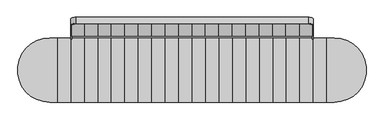
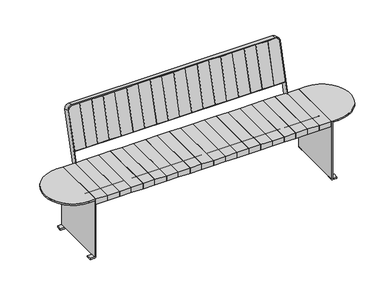
"""IFC4 building model written with IfcOpenShell, lengths in millimetres: furniture geometry."""

from ifc_helpers import new_model, si_unit, point, frame, frame_2d, origin, place, context, project, spatial, polyline, circle_curve, trimmed, segment, composite_curve, outline, extrude, source, transform, mapped, element, save
from ifc_brep_helpers import plane_surface, cylinder_surface, revolved_surface, advanced_brep


def furniture_64b9aa5a(model_context):
    return source(origin(), model_context, "Body", "SolidModel", [
        extrude(outline(polyline([(0.0, -83.5799721), (0.0, 0.0), (39.1205751, 0.0), (39.1205751, -83.5799721), (0.0, -83.5799721)])), frame((580.2051572, 211.2524813, 518.4817281), z_axis=(0.0, 0.25881904510251963, 0.9659258262890686), x_axis=(0.0, 0.9659258262890686, -0.25881904510251963)), (0.0, 0.0, 1.0), 296.0),
        extrude(outline(polyline([(0.0, -81.4200279), (0.0, 0.0), (39.1205751, 0.0), (39.1205751, -81.4200279), (0.0, -81.4200279)])), frame((498.7851293, 211.2524813, 518.4817281), z_axis=(0.0, 0.2588190451025194, 0.9659258262890688), x_axis=(0.0, 0.9659258262890688, -0.2588190451025194)), (0.0, 0.0, 1.0), 296.0),
        extrude(outline(polyline([(0.0, -83.5799721), (0.0, 0.0), (39.1205751, 0.0), (39.1205751, -83.5799721), (0.0, -83.5799721)])), frame((415.2051572, 211.2524813, 518.4817281), z_axis=(0.0, 0.25881904510252124, 0.9659258262890682), x_axis=(0.0, 0.9659258262890682, -0.25881904510252124)), (0.0, 0.0, 1.0), 296.0),
        extrude(outline(polyline([(0.0, -83.394898), (0.0, 0.0), (39.1205751, 0.0), (39.1205751, -83.394898), (0.0, -83.394898)])), frame((331.8102592, 211.2524813, 518.4817281), z_axis=(0.0, 0.2588190451025194, 0.9659258262890688), x_axis=(0.0, 0.9659258262890688, -0.2588190451025194)), (0.0, 0.0, 1.0), 296.0),
        extrude(outline(polyline([(0.0, -82.7835857), (0.0, 0.0), (39.1205751, 0.0), (39.1205751, -82.7835857), (0.0, -82.7835857)])), frame((249.0266735, 211.2524813, 518.4817281), z_axis=(0.0, 0.25881904510252124, 0.9659258262890682), x_axis=(0.0, 0.9659258262890682, -0.25881904510252124)), (0.0, 0.0, 1.0), 296.0),
        extrude(outline(polyline([(0.0, -83.4381797), (0.0, 0.0), (39.1205751, 0.0), (39.1205751, -83.4381797), (0.0, -83.4381797)])), frame((165.5884938, 211.2524813, 518.4817281), z_axis=(0.0, 0.25881904510252124, 0.9659258262890682), x_axis=(0.0, 0.9659258262890682, -0.25881904510252124)), (0.0, 0.0, 1.0), 296.0),
        extrude(outline(polyline([(0.0, -82.4183987), (0.0, 0.0), (39.1205751, 0.0), (39.1205751, -82.4183987), (0.0, -82.4183987)])), frame((83.1700951, 211.2524813, 518.4817281), z_axis=(0.0, 0.25881904510252124, 0.9659258262890682), x_axis=(0.0, 0.9659258262890682, -0.25881904510252124)), (0.0, 0.0, 1.0), 296.0),
        extrude(outline(polyline([(0.0, -83.1700951), (0.0, 0.0), (39.1205751, 0.0), (39.1205751, -83.1700951), (0.0, -83.1700951)])), frame((0.0, 211.2524813, 518.4817281), z_axis=(0.0, 0.25881904510252124, 0.9659258262890682), x_axis=(0.0, 0.9659258262890682, -0.25881904510252124)), (0.0, 0.0, 1.0), 296.0),
        extrude(outline(polyline([(0.0, -83.1700951), (0.0, 0.0), (39.1205751, 0.0), (39.1205751, -83.1700951), (0.0, -83.1700951)])), frame((-83.1700951, 211.2524813, 518.4817281), z_axis=(0.0, 0.25881904510252124, 0.9659258262890682), x_axis=(0.0, 0.9659258262890682, -0.25881904510252124)), (0.0, 0.0, 1.0), 296.0),
        extrude(outline(polyline([(0.0, -82.4183987), (0.0, 0.0), (39.1205751, 0.0), (39.1205751, -82.4183987), (0.0, -82.4183987)])), frame((-165.5884938, 211.2524813, 518.4817281), z_axis=(0.0, 0.25881904510252124, 0.9659258262890682), x_axis=(0.0, 0.9659258262890682, -0.25881904510252124)), (0.0, 0.0, 1.0), 296.0),
        extrude(outline(polyline([(0.0, -83.4381797), (0.0, 0.0), (39.1205751, 0.0), (39.1205751, -83.4381797), (0.0, -83.4381797)])), frame((-249.0266735, 211.2524813, 518.4817281), z_axis=(0.0, 0.25881904510252124, 0.9659258262890682), x_axis=(0.0, 0.9659258262890682, -0.25881904510252124)), (0.0, 0.0, 1.0), 296.0),
        extrude(outline(polyline([(0.0, -82.7835857), (0.0, 0.0), (39.1205751, 0.0), (39.1205751, -82.7835857), (0.0, -82.7835857)])), frame((-331.8102592, 211.2524813, 518.4817281), z_axis=(0.0, 0.25881904510252124, 0.9659258262890682), x_axis=(0.0, 0.9659258262890682, -0.25881904510252124)), (0.0, 0.0, 1.0), 296.0),
        extrude(outline(polyline([(0.0, -83.394898), (0.0, 0.0), (39.1205751, 0.0), (39.1205751, -83.394898), (0.0, -83.394898)])), frame((-415.2051572, 211.2524813, 518.4817281), z_axis=(0.0, 0.25881904510252124, 0.9659258262890682), x_axis=(0.0, 0.9659258262890682, -0.25881904510252124)), (0.0, 0.0, 1.0), 296.0),
        extrude(outline(polyline([(0.0, -83.5799721), (0.0, 0.0), (39.1205751, 0.0), (39.1205751, -83.5799721), (0.0, -83.5799721)])), frame((-498.7851293, 211.2524813, 518.4817281), z_axis=(0.0, 0.25881904510252124, 0.9659258262890682), x_axis=(0.0, 0.9659258262890682, -0.25881904510252124)), (0.0, 0.0, 1.0), 296.0),
        extrude(outline(polyline([(0.0, -81.4200279), (0.0, 0.0), (39.1205751, 0.0), (39.1205751, -81.4200279), (0.0, -81.4200279)])), frame((-580.2051572, 211.2524813, 518.4817281), z_axis=(0.0, 0.25881904510252124, 0.9659258262890682), x_axis=(0.0, 0.9659258262890682, -0.25881904510252124)), (0.0, 0.0, 1.0), 296.0),
        extrude(outline(polyline([(0.0, -83.5799721), (0.0, 0.0), (39.1205751, 0.0), (39.1205751, -83.5799721), (0.0, -83.5799721)])), frame((-663.7851293, 211.2524813, 518.4817281), z_axis=(0.0, 0.2588190451025194, 0.9659258262890688), x_axis=(0.0, 0.9659258262890688, -0.2588190451025194)), (0.0, 0.0, 1.0), 296.0),
        extrude(outline(composite_curve([segment(polyline([(-25.0, -24.9999999), (-25.0, 246.0), (55.2148, 246.0), (55.2148, -50.0), (0.0, -50.0)]), True, "CONTINUOUS"), segment(trimmed(circle_curve(frame_2d((0.0, -24.9999999)), 25.0), [point((0.0, -50.0))], [point((-25.0, -24.9999999))], False, "CARTESIAN"), True, "CONTINUOUS")], self_intersect=False)), frame((718.9999293, 312.7095402, 745.9743315), z_axis=(0.0, -0.9659258262890683, 0.2588190451025209), x_axis=(-1.0, 0.0, 0.0)), (0.0, 0.0, 1.0), 39.120575),
        extrude(outline(composite_curve([segment(trimmed(circle_curve(frame_2d((0.0, -25.0)), 25.0), [point((0.0, 0.0))], [point((25.0000001, -25.0))], False, "CARTESIAN"), True, "CONTINUOUS"), segment(polyline([(25.0000001, -25.0), (25.0000001, -80.2148), (-271.0, -80.2148), (-271.0, 0.0), (0.0, 0.0)]), True, "CONTINUOUS")], self_intersect=False)), frame((-743.9999293, 319.1800163, 770.1224771), z_axis=(0.0, -0.9659258262890682, 0.2588190451025209), x_axis=(0.0, 0.2588190451025209, 0.9659258262890682)), (0.0, 0.0, 1.0), 39.120575),
        extrude(outline(polyline([(83.1700951, 200.0), (83.1700951, -200.0), (0.0, -200.0), (0.0, 200.0), (83.1700951, 200.0)])), frame((0.0, 0.0, 400.6382749), z_axis=(0.0, 0.0, 1.0), x_axis=(1.0, 0.0, 0.0)), (0.0, 0.0, 1.0), 39.120575),
        extrude(outline(polyline([(165.5884938, 200.0), (165.5884938, -200.0), (83.1700951, -200.0), (83.1700951, 200.0), (165.5884938, 200.0)])), frame((0.0, 0.0, 400.6382749), z_axis=(0.0, 0.0, 1.0), x_axis=(1.0, 0.0, 0.0)), (0.0, 0.0, 1.0), 39.120575),
        extrude(outline(polyline([(249.0266735, 200.0), (249.0266735, -200.0), (165.5884938, -200.0), (165.5884938, 200.0), (249.0266735, 200.0)])), frame((0.0, 0.0, 400.6382749), z_axis=(0.0, 0.0, 1.0), x_axis=(1.0, 0.0, 0.0)), (0.0, 0.0, 1.0), 39.120575),
        extrude(outline(polyline([(331.8102592, 200.0), (331.8102592, -200.0), (249.0266735, -200.0), (249.0266735, 200.0), (331.8102592, 200.0)])), frame((0.0, 0.0, 400.6382749), z_axis=(0.0, 0.0, 1.0), x_axis=(1.0, 0.0, 0.0)), (0.0, 0.0, 1.0), 39.120575),
        extrude(outline(polyline([(415.2051572, 200.0), (415.2051572, -200.0), (331.8102592, -200.0), (331.8102592, 200.0), (415.2051572, 200.0)])), frame((0.0, 0.0, 400.6382749), z_axis=(0.0, 0.0, 1.0), x_axis=(1.0, 0.0, 0.0)), (0.0, 0.0, 1.0), 39.120575),
        extrude(outline(polyline([(498.7851293, 200.0), (498.7851293, -200.0), (415.2051572, -200.0), (415.2051572, 200.0), (498.7851293, 200.0)])), frame((0.0, 0.0, 400.6382749), z_axis=(0.0, 0.0, 1.0), x_axis=(1.0, 0.0, 0.0)), (0.0, 0.0, 1.0), 39.120575),
        extrude(outline(polyline([(580.2051572, 200.0), (580.2051572, -200.0), (498.7851293, -200.0), (498.7851293, 200.0), (580.2051572, 200.0)])), frame((0.0, 0.0, 400.6382749), z_axis=(0.0, 0.0, 1.0), x_axis=(1.0, 0.0, 0.0)), (0.0, 0.0, 1.0), 39.120575),
        extrude(outline(polyline([(663.7851293, 200.0), (663.7851293, -200.0), (580.2051572, -200.0), (580.2051572, 200.0), (663.7851293, 200.0)])), frame((0.0, 0.0, 400.6382749), z_axis=(0.0, 0.0, 1.0), x_axis=(1.0, 0.0, 0.0)), (0.0, 0.0, 1.0), 39.120575),
        extrude(outline(polyline([(746.8041619, 200.0), (746.8041619, -200.0), (663.7851293, -200.0), (663.7851293, 200.0), (746.8041619, 200.0)])), frame((0.0, 0.0, 400.6382749), z_axis=(0.0, 0.0, 1.0), x_axis=(1.0, 0.0, 0.0)), (0.0, 0.0, 1.0), 39.120575),
        extrude(outline(polyline([(831.379425, 200.0), (831.379425, -200.0), (746.8041619, -200.0), (746.8041619, 200.0), (831.379425, 200.0)])), frame((0.0, 0.0, 400.6382749), z_axis=(0.0, 0.0, 1.0), x_axis=(1.0, 0.0, 0.0)), (0.0, 0.0, 1.0), 39.120575),
        extrude(outline(polyline([(-83.1700951, 200.0), (0.0, 200.0), (0.0, -200.0), (-83.1700951, -200.0), (-83.1700951, 200.0)])), frame((0.0, 0.0, 400.6382749), z_axis=(0.0, 0.0, 1.0), x_axis=(1.0, 0.0, 0.0)), (0.0, 0.0, 1.0), 39.120575),
        extrude(outline(polyline([(-165.5884938, 200.0), (-83.1700951, 200.0), (-83.1700951, -200.0), (-165.5884938, -200.0), (-165.5884938, 200.0)])), frame((0.0, 0.0, 400.6382749), z_axis=(0.0, 0.0, 1.0), x_axis=(1.0, 0.0, 0.0)), (0.0, 0.0, 1.0), 39.120575),
        extrude(outline(polyline([(-249.0266735, 200.0), (-165.5884938, 200.0), (-165.5884938, -200.0), (-249.0266735, -200.0), (-249.0266735, 200.0)])), frame((0.0, 0.0, 400.6382749), z_axis=(0.0, 0.0, 1.0), x_axis=(1.0, 0.0, 0.0)), (0.0, 0.0, 1.0), 39.120575),
        extrude(outline(polyline([(-331.8102592, 200.0), (-249.0266735, 200.0), (-249.0266735, -200.0), (-331.8102592, -200.0), (-331.8102592, 200.0)])), frame((0.0, 0.0, 400.6382749), z_axis=(0.0, 0.0, 1.0), x_axis=(1.0, 0.0, 0.0)), (0.0, 0.0, 1.0), 39.120575),
        extrude(outline(polyline([(-415.2051572, 200.0), (-331.8102592, 200.0), (-331.8102592, -200.0), (-415.2051572, -200.0), (-415.2051572, 200.0)])), frame((0.0, 0.0, 400.6382749), z_axis=(0.0, 0.0, 1.0), x_axis=(1.0, 0.0, 0.0)), (0.0, 0.0, 1.0), 39.120575),
        extrude(outline(polyline([(-498.7851293, 200.0), (-415.2051572, 200.0), (-415.2051572, -200.0), (-498.7851293, -200.0), (-498.7851293, 200.0)])), frame((0.0, 0.0, 400.6382749), z_axis=(0.0, 0.0, 1.0), x_axis=(1.0, 0.0, 0.0)), (0.0, 0.0, 1.0), 39.120575),
        extrude(outline(polyline([(-580.2051572, 200.0), (-498.7851293, 200.0), (-498.7851293, -200.0), (-580.2051572, -200.0), (-580.2051572, 200.0)])), frame((0.0, 0.0, 400.6382749), z_axis=(0.0, 0.0, 1.0), x_axis=(1.0, 0.0, 0.0)), (0.0, 0.0, 1.0), 39.120575),
        extrude(outline(polyline([(-663.7851293, 200.0), (-580.2051572, 200.0), (-580.2051572, -200.0), (-663.7851293, -200.0), (-663.7851293, 200.0)])), frame((0.0, 0.0, 400.6382749), z_axis=(0.0, 0.0, 1.0), x_axis=(1.0, 0.0, 0.0)), (0.0, 0.0, 1.0), 39.120575),
        extrude(outline(polyline([(-746.8041619, 200.0), (-663.7851293, 200.0), (-663.7851293, -200.0), (-746.8041619, -200.0), (-746.8041619, 200.0)])), frame((0.0, 0.0, 400.6382749), z_axis=(0.0, 0.0, 1.0), x_axis=(1.0, 0.0, 0.0)), (0.0, 0.0, 1.0), 39.120575),
        extrude(outline(polyline([(-831.379425, 200.0), (-746.8041619, 200.0), (-746.8041619, -200.0), (-831.379425, -200.0), (-831.379425, 200.0)])), frame((0.0, 0.0, 400.6382749), z_axis=(0.0, 0.0, 1.0), x_axis=(1.0, 0.0, 0.0)), (0.0, 0.0, 1.0), 39.120575),
        extrude(outline(composite_curve([segment(polyline([(-20.0, 0.0), (0.0, 0.0)]), True, "CONTINUOUS"), segment(trimmed(circle_curve(frame_2d((0.0, -25.0)), 25.0), [point((0.0, 0.0))], [point((25.0, -25.0))], False, "CARTESIAN"), True, "CONTINUOUS"), segment(polyline([(25.0, -25.0), (25.0, -1462.9998586)]), True, "CONTINUOUS"), segment(trimmed(circle_curve(frame_2d((0.0, -1462.9998586)), 25.0), [point((25.0, -1462.9998586))], [point((0.0, -1487.9998586))], False, "CARTESIAN"), True, "CONTINUOUS"), segment(polyline([(0.0, -1487.9998586), (-20.0, -1487.9998586), (-20.0, 0.0)]), True, "CONTINUOUS")], self_intersect=False)), frame((-743.9999293, 320.0294756, 769.8948652), z_axis=(0.0, -0.9659258262890719, 0.25881904510250753), x_axis=(0.0, 0.25881904510250753, 0.9659258262890719)), (0.0, 0.0, 1.0), 3.0),
        extrude(outline(composite_curve([segment(polyline([(245.2952272, 506.2541733), (210.4760242, 515.5839506), (211.2524813, 518.4817281), (246.0527262, 509.1570306)]), True, "CONTINUOUS"), segment(trimmed(circle_curve(frame_2d((246.3043334, 510.0960412)), 0.9721354), [point((246.0527262, 509.1570306))], [point((247.2433441, 509.8444341))], True, "CARTESIAN"), True, "CONTINUOUS"), segment(polyline([(247.2433441, 509.8444341), (257.8621368, 549.4743081), (260.7599143, 548.697851), (250.1360417, 509.0490188)]), True, "CONTINUOUS"), segment(trimmed(circle_curve(frame_2d((246.3182117, 510.0720033)), 3.9525085), [point((250.1360417, 509.0490188))], [point((245.2952272, 506.2541733))], False, "CARTESIAN"), True, "CONTINUOUS")], self_intersect=False)), frame((-743.9999293, 0.0, 0.0), z_axis=(1.0, 0.0, 0.0), x_axis=(0.0, 1.0, 0.0)), (0.0, 0.0, 1.0), 1488.0),
        advanced_brep(
        [(-743.9999293, 189.5116815, 437.3439587), (-743.9999293, 184.6820524, 433.6380539), (-743.9999293, -52.5000483, 433.6380539), (-743.9999293, -62.5000483, 423.6380539), (-743.9999293, -62.5000483, 351.6380539), (-743.9999293, -52.5000483, 341.6380539), (-743.9999293, 17.4999517, 341.6380539), (-743.9999293, 27.4999517, 351.6380539), (-743.9999293, 27.4999517, 391.6380539), (-743.9999293, 37.4999517, 401.6380539), (-743.9999293, 202.1721857, 401.6380539), (-743.9999293, 226.3203314, 420.1675778), (-743.9999293, 320.0294756, 769.8948652), (-743.9999293, 281.3924426, 780.247627), (-749.9999293, 226.3203314, 420.1675778), (-749.9999293, 202.1721857, 401.6380539), (-749.9999293, 37.4999517, 401.6380539), (-749.9999293, 27.4999517, 391.6380539), (-749.9999293, 27.4999517, 351.6380539), (-749.9999293, 17.4999517, 341.6380539), (-749.9999293, -52.5000483, 341.6380539), (-749.9999293, -62.5000483, 351.6380539), (-749.9999293, -62.5000483, 423.6380539), (-749.9999293, -52.5000483, 433.6380539), (-749.9999293, 184.6820524, 433.6380539), (-749.9999293, 189.5116815, 437.3439587), (-749.9999293, 281.6512616, 781.2135528), (-749.9999293, 320.2882947, 770.860791), (-718.9999293, 287.8629187, 804.3957727), (718.9999293, 287.8629187, 804.3957727), (743.9999293, 281.3924426, 780.247627), (743.9999293, 189.5116815, 437.3439587), (749.9999293, 189.5116815, 437.3439587), (749.9999293, 281.6512616, 781.2135528), (719.9999293, 289.415833, 810.1913276), (-719.9999293, 289.415833, 810.1913276), (-719.9999293, 328.052866, 799.8385658), (719.9999293, 328.052866, 799.8385658), (749.9999293, 320.2882947, 770.860791), (749.9999293, 226.3203314, 420.1675778), (743.9999293, 226.3203314, 420.1675778), (743.9999293, 320.0294756, 769.8948652), (718.9999293, 326.4999517, 794.0430109), (-718.9999293, 326.4999517, 794.0430109), (743.9999293, 202.1721857, 401.6380539), (743.9999293, 37.4999517, 401.6380539), (743.9999293, 27.4999517, 391.6380539), (743.9999293, 27.4999517, 351.6380539), (743.9999293, 17.4999517, 341.6380539), (743.9999293, -52.5000483, 341.6380539), (743.9999293, -62.5000483, 351.6380539), (743.9999293, -62.5000483, 423.6380539), (743.9999293, -52.5000483, 433.6380539), (743.9999293, 184.6820524, 433.6380539), (749.9999293, 184.6820524, 433.6380539), (749.9999293, -52.5000483, 433.6380539), (749.9999293, -62.5000483, 423.6380539), (749.9999293, -62.5000483, 351.6380539), (749.9999293, -52.5000483, 341.6380539), (749.9999293, 17.4999517, 341.6380539), (749.9999293, 27.4999517, 351.6380539), (749.9999293, 27.4999517, 391.6380539), (749.9999293, 37.4999517, 401.6380539), (749.9999293, 202.1721857, 401.6380539)],
        [
            (0, 1, circle_curve(frame((-743.9999293, 184.6820524, 438.6380539), z_axis=(-1.0, 0.0, 0.0), x_axis=(0.0, 0.0, -1.0)), 5.0)),
            (1, 2),
            (2, 3, circle_curve(frame((-743.9999293, -52.5000483, 423.6380539), z_axis=(1.0, 0.0, 0.0), x_axis=(0.0, 0.0, 1.0)), 10.0)),
            (3, 4),
            (4, 5, circle_curve(frame((-743.9999293, -52.5000483, 351.6380539), z_axis=(1.0, 0.0, 0.0), x_axis=(0.0, -1.0, 0.0)), 10.0)),
            (5, 6),
            (6, 7, circle_curve(frame((-743.9999293, 17.4999517, 351.6380539), z_axis=(1.0, 0.0, 0.0), x_axis=(0.0, 0.0, -1.0)), 10.0)),
            (7, 8),
            (8, 9, circle_curve(frame((-743.9999293, 37.4999517, 391.6380539), z_axis=(-1.0, 0.0, 0.0), x_axis=(0.0, -1.0, 0.0)), 10.0)),
            (9, 10),
            (10, 11, circle_curve(frame((-743.9999293, 202.1721857, 426.6380539), z_axis=(1.0, 0.0, 0.0), x_axis=(0.0, 0.0, -1.0)), 25.0)),
            (11, 12),
            (12, 13),
            (13, 0),
            (14, 15, circle_curve(frame((-749.9999293, 202.1721857, 426.6380539), z_axis=(-1.0, 0.0, 0.0), x_axis=(0.0, 0.0, -1.0)), 25.0)),
            (15, 16),
            (16, 17, circle_curve(frame((-749.9999293, 37.4999517, 391.6380539), z_axis=(1.0, 0.0, 0.0), x_axis=(0.0, -1.0, 0.0)), 10.0)),
            (17, 18),
            (18, 19, circle_curve(frame((-749.9999293, 17.4999517, 351.6380539), z_axis=(-1.0, 0.0, 0.0), x_axis=(0.0, 0.0, -1.0)), 10.0)),
            (19, 20),
            (20, 21, circle_curve(frame((-749.9999293, -52.5000483, 351.6380539), z_axis=(-1.0, 0.0, 0.0), x_axis=(0.0, -1.0, 0.0)), 10.0)),
            (21, 22),
            (22, 23, circle_curve(frame((-749.9999293, -52.5000483, 423.6380539), z_axis=(-1.0, 0.0, 0.0), x_axis=(0.0, 0.0, 1.0)), 10.0)),
            (23, 24),
            (24, 25, circle_curve(frame((-749.9999293, 184.6820524, 438.6380539), z_axis=(1.0, 0.0, 0.0), x_axis=(0.0, 0.0, -1.0)), 5.0)),
            (25, 26),
            (26, 27),
            (27, 14),
            (25, 0),
            (13, 28, circle_curve(frame((-718.9999293, 281.3924426, 780.247627), z_axis=(0.0, 0.9659258262890719, -0.25881904510250753), x_axis=(0.0, -0.25881904510250753, -0.9659258262890719)), 25.0)),
            (28, 29),
            (29, 30, circle_curve(frame((718.9999293, 281.3924426, 780.247627), z_axis=(0.0, 0.9659258262890719, -0.25881904510250753), x_axis=(0.0, -0.25881904510250753, -0.9659258262890719)), 25.0)),
            (30, 31),
            (31, 32),
            (32, 33),
            (33, 34, circle_curve(frame((719.9999293, 281.6512616, 781.2135528), z_axis=(0.0, -0.9659258262890719, 0.25881904510250753), x_axis=(0.0, -0.25881904510250753, -0.9659258262890719)), 30.0)),
            (34, 35),
            (35, 26, circle_curve(frame((-719.9999293, 281.6512616, 781.2135528), z_axis=(0.0, -0.9659258262890719, 0.25881904510250753), x_axis=(0.0, -0.25881904510250753, -0.9659258262890719)), 30.0)),
            (24, 1),
            (23, 2),
            (22, 3),
            (21, 4),
            (20, 5),
            (19, 6),
            (18, 7),
            (17, 8),
            (16, 9),
            (15, 10),
            (14, 11),
            (27, 36, circle_curve(frame((-719.9999293, 320.2882947, 770.860791), z_axis=(0.0, 0.9659258262890719, -0.25881904510250753), x_axis=(0.0, -0.25881904510250753, -0.9659258262890719)), 30.0)),
            (36, 37),
            (37, 38, circle_curve(frame((719.9999293, 320.2882947, 770.860791), z_axis=(0.0, 0.9659258262890719, -0.25881904510250753), x_axis=(0.0, -0.25881904510250753, -0.9659258262890719)), 30.0)),
            (38, 39),
            (39, 40),
            (40, 41),
            (41, 42, circle_curve(frame((718.9999293, 320.0294756, 769.8948652), z_axis=(0.0, -0.9659258262890719, 0.25881904510250753), x_axis=(0.0, -0.25881904510250753, -0.9659258262890719)), 25.0)),
            (42, 43),
            (43, 12, circle_curve(frame((-718.9999293, 320.0294756, 769.8948652), z_axis=(0.0, -0.9659258262890719, 0.25881904510250753), x_axis=(0.0, -0.25881904510250753, -0.9659258262890719)), 25.0)),
            (35, 36),
            (34, 37),
            (28, 43),
            (42, 29),
            (33, 38),
            (41, 30),
            (40, 44, circle_curve(frame((743.9999293, 202.1721857, 426.6380539), z_axis=(-1.0, 0.0, 0.0), x_axis=(0.0, 0.0, -1.0)), 25.0)),
            (44, 45),
            (45, 46, circle_curve(frame((743.9999293, 37.4999517, 391.6380539), z_axis=(1.0, 0.0, 0.0), x_axis=(0.0, -1.0, 0.0)), 10.0)),
            (46, 47),
            (47, 48, circle_curve(frame((743.9999293, 17.4999517, 351.6380539), z_axis=(-1.0, 0.0, 0.0), x_axis=(0.0, 0.0, -1.0)), 10.0)),
            (48, 49),
            (49, 50, circle_curve(frame((743.9999293, -52.5000483, 351.6380539), z_axis=(-1.0, 0.0, 0.0), x_axis=(0.0, -1.0, 0.0)), 10.0)),
            (50, 51),
            (51, 52, circle_curve(frame((743.9999293, -52.5000483, 423.6380539), z_axis=(-1.0, 0.0, 0.0), x_axis=(0.0, 0.0, 1.0)), 10.0)),
            (52, 53),
            (53, 31, circle_curve(frame((743.9999293, 184.6820524, 438.6380539), z_axis=(1.0, 0.0, 0.0), x_axis=(0.0, 0.0, -1.0)), 5.0)),
            (32, 54, circle_curve(frame((749.9999293, 184.6820524, 438.6380539), z_axis=(-1.0, 0.0, 0.0), x_axis=(0.0, 0.0, -1.0)), 5.0)),
            (54, 55),
            (55, 56, circle_curve(frame((749.9999293, -52.5000483, 423.6380539), z_axis=(1.0, 0.0, 0.0), x_axis=(0.0, 0.0, 1.0)), 10.0)),
            (56, 57),
            (57, 58, circle_curve(frame((749.9999293, -52.5000483, 351.6380539), z_axis=(1.0, 0.0, 0.0), x_axis=(0.0, -1.0, 0.0)), 10.0)),
            (58, 59),
            (59, 60, circle_curve(frame((749.9999293, 17.4999517, 351.6380539), z_axis=(1.0, 0.0, 0.0), x_axis=(0.0, 0.0, -1.0)), 10.0)),
            (60, 61),
            (61, 62, circle_curve(frame((749.9999293, 37.4999517, 391.6380539), z_axis=(-1.0, 0.0, 0.0), x_axis=(0.0, -1.0, 0.0)), 10.0)),
            (62, 63),
            (63, 39, circle_curve(frame((749.9999293, 202.1721857, 426.6380539), z_axis=(1.0, 0.0, 0.0), x_axis=(0.0, 0.0, -1.0)), 25.0)),
            (53, 54),
            (52, 55),
            (51, 56),
            (50, 57),
            (49, 58),
            (48, 59),
            (47, 60),
            (46, 61),
            (45, 62),
            (44, 63),
        ],
        [
            plane_surface(frame((-743.9999293, 269.2279474, 734.8491132), z_axis=(1.0, 0.0, 0.0), x_axis=(0.0, -0.2588190451024944, -0.9659258262890754))),
            plane_surface(frame((-749.9999293, 269.2279474, 734.8491132), z_axis=(-1.0, 0.0, 0.0), x_axis=(0.0, 0.2588190451024944, 0.9659258262890754))),
            plane_surface(frame((-743.9999293, 269.2279474, 734.8491132), z_axis=(0.0, -0.9659258262890754, 0.2588190451024944), x_axis=(-1.0, 0.0, 0.0))),
            revolved_surface(polyline([(-749.9999293, 184.6820524, 433.6380539), (-743.9999293, 184.6820524, 433.6380539)]), (-749.9999293, 184.6820524, 438.6380539), (-1.0, 0.0, 0.0)),
            plane_surface(frame((-743.9999293, 184.6820524, 433.6380539), z_axis=(0.0, 0.0, 1.0), x_axis=(-1.0, 0.0, 0.0))),
            cylinder_surface(frame((-749.9999293, -52.5000483, 423.6380539), z_axis=(1.0, 0.0, 0.0), x_axis=(0.0, 0.0, 1.0)), 10.0),
            plane_surface(frame((-743.9999293, -62.5000483, 423.6380539), z_axis=(0.0, -1.0, 0.0), x_axis=(-1.0, 0.0, 0.0))),
            cylinder_surface(frame((-749.9999293, -52.5000483, 351.6380539), z_axis=(1.0, 0.0, 0.0), x_axis=(0.0, -1.0, 0.0)), 10.0),
            plane_surface(frame((-743.9999293, -52.5000483, 341.6380539), z_axis=(0.0, 0.0, -1.0), x_axis=(-1.0, 0.0, 0.0))),
            cylinder_surface(frame((-749.9999293, 17.4999517, 351.6380539), z_axis=(1.0, 0.0, 0.0), x_axis=(0.0, 0.0, -1.0)), 10.0),
            plane_surface(frame((-743.9999293, 27.4999517, 351.6380539), z_axis=(0.0, 1.0, 0.0), x_axis=(-1.0, 0.0, 0.0))),
            revolved_surface(polyline([(-749.9999293, 27.499951699999997, 391.6380539), (-743.9999293, 27.499951699999997, 391.6380539)]), (-749.9999293, 37.4999517, 391.6380539), (-1.0, 0.0, 0.0)),
            plane_surface(frame((-743.9999293, 37.4999517, 401.6380539), z_axis=(0.0, 0.0, -1.0), x_axis=(-1.0, 0.0, 0.0))),
            cylinder_surface(frame((-749.9999293, 202.1721857, 426.6380539), z_axis=(1.0, 0.0, 0.0), x_axis=(0.0, 0.0, -1.0)), 25.0),
            plane_surface(frame((-743.9999293, 226.3203314, 420.1675778), z_axis=(0.0, 0.9659258262890719, -0.25881904510250753), x_axis=(-1.0, 0.0, 0.0))),
            cylinder_surface(frame((-719.9999293, 281.6512616, 781.2135528), z_axis=(0.0, 0.9659258262890719, -0.25881904510250753), x_axis=(0.0, -0.25881904510250753, -0.9659258262890719)), 30.0),
            plane_surface(frame((-719.9999293, 328.052866, 799.8385658), z_axis=(0.0, 0.2588190451025074, 0.9659258262890719), x_axis=(0.0, -0.9659258262890719, 0.2588190451025074))),
            plane_surface(frame((0.0, 326.4999517, 794.0430109), z_axis=(0.0, -0.2588190451025074, -0.9659258262890719), x_axis=(0.0, -0.9659258262890719, 0.2588190451025074))),
            revolved_surface(polyline([(-718.9999293, 274.92196643602773, 756.0994813525291), (-718.9999293, 313.5589994748663, 745.7467195518383)]), (-718.9999293, 281.3924426, 780.247627), (0.0, -0.9659258262890719, 0.25881904510250753)),
            cylinder_surface(frame((719.9999293, 281.6512616, 781.2135528), z_axis=(0.0, 0.9659258262890719, -0.25881904510250753), x_axis=(0.0, -0.25881904510250753, -0.9659258262890719)), 30.0),
            revolved_surface(polyline([(718.9999293, 274.92196643602773, 756.0994813525291), (718.9999293, 313.5589994748663, 745.7467195518383)]), (718.9999293, 281.3924426, 780.247627), (0.0, -0.9659258262890719, 0.25881904510250753)),
            plane_surface(frame((743.9999293, 307.8649805, 724.4963514), z_axis=(-1.0, 0.0, 0.0), x_axis=(0.0, -0.965925826289072, 0.2588190451025072))),
            plane_surface(frame((749.9999293, 320.2882947, 770.860791), z_axis=(1.0, 0.0, 0.0), x_axis=(0.0, -0.965925826289072, 0.2588190451025072))),
            revolved_surface(polyline([(749.9999293, 184.6820524, 433.6380539), (743.9999293, 184.6820524, 433.6380539)]), (749.9999293, 184.6820524, 438.6380539), (1.0, 0.0, 0.0)),
            plane_surface(frame((743.9999293, -52.5000483, 433.6380539), z_axis=(0.0, 0.0, 1.0), x_axis=(1.0, 0.0, 0.0))),
            cylinder_surface(frame((749.9999293, -52.5000483, 423.6380539), z_axis=(-1.0, 0.0, 0.0), x_axis=(0.0, 0.0, 1.0)), 10.0),
            plane_surface(frame((743.9999293, -62.5000483, 351.6380539), z_axis=(0.0, -1.0, 0.0), x_axis=(1.0, 0.0, 0.0))),
            cylinder_surface(frame((749.9999293, -52.5000483, 351.6380539), z_axis=(-1.0, 0.0, 0.0), x_axis=(0.0, -1.0, 0.0)), 10.0),
            plane_surface(frame((743.9999293, 17.4999517, 341.6380539), z_axis=(0.0, 0.0, -1.0), x_axis=(1.0, 0.0, 0.0))),
            cylinder_surface(frame((749.9999293, 17.4999517, 351.6380539), z_axis=(-1.0, 0.0, 0.0), x_axis=(0.0, 0.0, -1.0)), 10.0),
            plane_surface(frame((743.9999293, 27.4999517, 391.6380539), z_axis=(0.0, 1.0, 0.0), x_axis=(1.0, 0.0, 0.0))),
            revolved_surface(polyline([(749.9999293, 27.499951699999997, 391.6380539), (743.9999293, 27.499951699999997, 391.6380539)]), (749.9999293, 37.4999517, 391.6380539), (1.0, 0.0, 0.0)),
            plane_surface(frame((743.9999293, 202.1721857, 401.6380539), z_axis=(0.0, 0.0, -1.0), x_axis=(1.0, 0.0, 0.0))),
            cylinder_surface(frame((749.9999293, 202.1721857, 426.6380539), z_axis=(-1.0, 0.0, 0.0), x_axis=(0.0, 0.0, -1.0)), 25.0),
        ],
        [
            (0, [[1, 2, 3, 4, 5, 6, 7, 8, 9, 10, 11, 12, 13, 14]]),
            (1, [[15, 16, 17, 18, 19, 20, 21, 22, 23, 24, 25, 26, 27, 28]]),
            (2, [[29, -14, 30, 31, 32, 33, 34, 35, 36, 37, 38, -26]]),
            (3, [[-1, -29, -25, 39]]),
            (4, [[-2, -39, -24, 40]]),
            (5, [[-3, -40, -23, 41]]),
            (6, [[-4, -41, -22, 42]]),
            (7, [[-5, -42, -21, 43]]),
            (8, [[-6, -43, -20, 44]]),
            (9, [[-7, -44, -19, 45]]),
            (10, [[-8, -45, -18, 46]]),
            (11, [[-9, -46, -17, 47]]),
            (12, [[-10, -47, -16, 48]]),
            (13, [[-11, -48, -15, 49]]),
            (14, [[-49, -28, 50, 51, 52, 53, 54, 55, 56, 57, 58, -12]]),
            (15, [[-50, -27, -38, 59]]),
            (16, [[-59, -37, 60, -51]]),
            (17, [[61, -57, 62, -31]]),
            (18, [[-58, -61, -30, -13]]),
            (19, [[-52, -60, -36, 63]]),
            (20, [[-56, 64, -32, -62]]),
            (21, [[-55, 65, 66, 67, 68, 69, 70, 71, 72, 73, 74, 75, -33, -64]]),
            (22, [[-53, -63, -35, 76, 77, 78, 79, 80, 81, 82, 83, 84, 85, 86]]),
            (23, [[-75, 87, -76, -34]]),
            (24, [[-74, 88, -77, -87]]),
            (25, [[-73, 89, -78, -88]]),
            (26, [[-72, 90, -79, -89]]),
            (27, [[-71, 91, -80, -90]]),
            (28, [[-70, 92, -81, -91]]),
            (29, [[-69, 93, -82, -92]]),
            (30, [[-68, 94, -83, -93]]),
            (31, [[-67, 95, -84, -94]]),
            (32, [[-66, 96, -85, -95]]),
            (33, [[-65, -54, -86, -96]]),
        ],
    ),
        advanced_brep(
        [(-438.9493478, 55.5135142, 364.1867082), (-438.9493478, 60.5135142, 364.1867082), (-473.9493478, 60.513034, 364.1867082), (-473.9493478, 55.5135142, 364.1867082), (438.9493478, 55.5135142, 364.1867082), (438.9493478, 60.5135142, 364.1867082), (473.9493478, 60.513034, 364.1867082), (473.9493478, 55.5135142, 364.1867082), (826.379425, 60.513034, 394.6382749), (826.379425, 61.513034, 395.6382749), (826.379425, 62.4997599, 395.6382749), (826.379425, 62.4997599, 400.6382749), (826.379425, 61.513034, 400.6382749), (826.379425, 55.513034, 394.6382749), (826.379425, 55.513034, 393.1147491), (826.379425, 60.513034, 393.1147491), (-826.379425, 55.513034, 394.6382749), (-826.379425, 61.513034, 400.6382749), (-826.379425, 62.4997599, 400.6382749), (-826.379425, 62.4997599, 395.6382749), (-826.379425, 61.513034, 395.6382749), (-826.379425, 60.513034, 394.6382749), (-826.379425, 60.513034, 393.1147491), (-826.379425, 55.513034, 393.1147491), (826.379425, 55.513034, 340.151549), (-826.379425, 55.513034, 340.151549), (-826.379425, 60.513034, 340.151549), (826.379425, 60.513034, 340.151549), (831.379425, 62.4997599, 400.6382749), (831.379425, 99.9997599, 400.6382749), (-831.379425, 99.9997599, 400.6382749), (-831.379425, 62.4997599, 400.6382749), (-826.379425, 99.9997599, 395.6382749), (826.379425, 99.9997599, 395.6382749), (-826.379425, 62.4997599, 393.1147491), (-826.379425, -55.513034, 393.1147491), (-826.379425, -55.513034, 340.151549), (-826.379425, -60.513034, 340.151549), (-826.379425, -60.513034, 393.1147491), (-826.379425, -62.4997599, 393.1147491), (-826.379425, -62.4997599, 395.6382749), (-826.379425, -99.9997599, 395.6382749), (-826.379425, -99.9997599, 347.7588499), (-826.379425, 100.0002401, 347.7588499), (-831.379425, 100.0002401, 347.7588499), (-831.379425, -99.9997599, 347.7588499), (-831.379425, -99.9997599, 400.6382749), (-831.379425, -62.4997599, 400.6382749), (-831.379425, -62.4997599, 393.1147491), (-831.379425, 62.4997599, 393.1147491), (831.379425, 100.0002401, 347.7588499), (826.379425, 100.0002401, 347.7588499), (826.379425, -99.9997599, 395.6382749), (826.379425, -99.9997599, 347.7588499), (831.379425, -99.9997599, 347.7588499), (831.379425, -99.9997599, 400.6382749), (-826.379425, -62.4997599, 400.6382749), (831.379425, -62.4997599, 400.6382749), (831.379425, -62.4997599, 393.1147491), (826.379425, -62.4997599, 393.1147491), (826.379425, -62.4997599, 395.6382749), (826.379425, -62.4997599, 400.6382749), (826.379425, -61.513034, 400.6382749), (-826.379425, -61.513034, 400.6382749), (-826.379425, -61.513034, 395.6382749), (826.379425, -61.513034, 395.6382749), (826.379425, -60.513034, 393.1147491), (826.379425, -60.513034, 340.151549), (826.379425, -55.513034, 340.151549), (826.379425, -55.513034, 393.1147491), (826.379425, 62.4997599, 393.1147491), (831.379425, 62.4997599, 393.1147491), (826.379425, -55.513034, 394.6382749), (826.379425, -60.513034, 394.6382749), (-826.379425, -60.513034, 394.6382749), (-826.379425, -55.513034, 394.6382749)],
        [
            (0, 1),
            (1, 2, circle_curve(frame((-456.4493478, 60.513034, 364.1867082), z_axis=(0.0, 1.0, 0.0), x_axis=(1.0, 0.0, 0.0)), 17.5)),
            (2, 3),
            (3, 0, circle_curve(frame((-456.4493478, 55.513034, 364.1867082), z_axis=(0.0, -1.0, 0.0), x_axis=(1.0, 0.0, 0.0)), 17.5)),
            (0, 3, circle_curve(frame((-456.4493478, 55.513034, 364.1867082), z_axis=(0.0, -1.0, 0.0), x_axis=(1.0, 0.0, 0.0)), 17.5)),
            (2, 1, circle_curve(frame((-456.4493478, 60.513034, 364.1867082), z_axis=(0.0, 1.0, 0.0), x_axis=(1.0, 0.0, 0.0)), 17.5)),
            (4, 5),
            (5, 6, circle_curve(frame((456.4493478, 60.513034, 364.1867082), z_axis=(0.0, 1.0, 0.0), x_axis=(-1.0, 0.0, 0.0)), 17.5)),
            (6, 7),
            (7, 4, circle_curve(frame((456.4493478, 55.513034, 364.1867082), z_axis=(0.0, -1.0, 0.0), x_axis=(-1.0, 0.0, 0.0)), 17.5)),
            (4, 7, circle_curve(frame((456.4493478, 55.513034, 364.1867082), z_axis=(0.0, -1.0, 0.0), x_axis=(-1.0, 0.0, 0.0)), 17.5)),
            (6, 5, circle_curve(frame((456.4493478, 60.513034, 364.1867082), z_axis=(0.0, 1.0, 0.0), x_axis=(-1.0, 0.0, 0.0)), 17.5)),
            (8, 9, circle_curve(frame((826.379425, 61.513034, 394.6382749), z_axis=(-1.0, 0.0, 0.0), x_axis=(0.0, 1.0, 0.0)), 1.0)),
            (9, 10),
            (10, 11),
            (11, 12),
            (12, 13, circle_curve(frame((826.379425, 61.513034, 394.6382749), z_axis=(1.0, 0.0, 0.0), x_axis=(0.0, 1.0, 0.0)), 6.0)),
            (13, 14),
            (14, 15),
            (15, 8),
            (16, 17, circle_curve(frame((-826.379425, 61.513034, 394.6382749), z_axis=(-1.0, 0.0, 0.0), x_axis=(0.0, 1.0, 0.0)), 6.0)),
            (17, 18),
            (18, 19),
            (19, 20),
            (20, 21, circle_curve(frame((-826.379425, 61.513034, 394.6382749), z_axis=(1.0, 0.0, 0.0), x_axis=(0.0, 1.0, 0.0)), 1.0)),
            (21, 22),
            (22, 23),
            (23, 16),
            (24, 25),
            (25, 26),
            (26, 27),
            (27, 24),
            (24, 14),
            (13, 16),
            (23, 25),
            (12, 17),
            (11, 28),
            (28, 29),
            (29, 30),
            (30, 31),
            (31, 18),
            (9, 20),
            (19, 32),
            (32, 33),
            (33, 10),
            (8, 21),
            (26, 22),
            (15, 27),
            (19, 34),
            (34, 22),
            (23, 35),
            (35, 36),
            (36, 37),
            (37, 38),
            (38, 39),
            (39, 40),
            (40, 41),
            (41, 42),
            (42, 43, circle_curve(frame((-826.379425, 0.0002401, 421.080061), z_axis=(1.0, 0.0, 0.0), x_axis=(0.0, -0.8064516129032312, -0.5913000896717141)), 124.0)),
            (43, 32),
            (44, 45, circle_curve(frame((-831.379425, 0.0002401, 421.080061), z_axis=(-1.0, 0.0, 0.0), x_axis=(0.0, -0.8064516129032312, -0.5913000896717141)), 124.0)),
            (45, 46),
            (46, 47),
            (47, 48),
            (48, 49),
            (49, 31),
            (30, 44),
            (43, 44),
            (29, 50),
            (50, 51),
            (51, 33),
            (34, 49),
            (48, 39),
            (38, 35),
            (45, 42),
            (41, 52),
            (52, 53),
            (53, 54),
            (54, 55),
            (55, 46),
            (47, 56),
            (56, 40),
            (57, 58),
            (58, 59),
            (59, 60),
            (60, 61),
            (61, 57),
            (55, 57),
            (61, 62),
            (62, 63),
            (63, 56),
            (40, 64),
            (64, 65),
            (65, 60),
            (60, 52),
            (59, 66),
            (66, 67),
            (67, 68),
            (68, 69),
            (69, 14),
            (15, 70),
            (70, 10),
            (51, 53, circle_curve(frame((826.379425, 0.0002401, 421.080061), z_axis=(-1.0, 0.0, 0.0), x_axis=(0.0, -0.8064516129032312, -0.5913000896717141)), 124.0)),
            (54, 50, circle_curve(frame((831.379425, 0.0002401, 421.080061), z_axis=(1.0, 0.0, 0.0), x_axis=(0.0, -0.8064516129032312, -0.5913000896717141)), 124.0)),
            (28, 71),
            (71, 58),
            (72, 62, circle_curve(frame((826.379425, -61.513034, 394.6382749), z_axis=(1.0, 0.0, 0.0), x_axis=(0.0, -1.0, 0.0)), 6.0)),
            (65, 73, circle_curve(frame((826.379425, -61.513034, 394.6382749), z_axis=(-1.0, 0.0, 0.0), x_axis=(0.0, -1.0, 0.0)), 1.0)),
            (73, 66),
            (66, 69),
            (69, 72),
            (74, 64, circle_curve(frame((-826.379425, -61.513034, 394.6382749), z_axis=(1.0, 0.0, 0.0), x_axis=(0.0, -1.0, 0.0)), 1.0)),
            (63, 75, circle_curve(frame((-826.379425, -61.513034, 394.6382749), z_axis=(-1.0, 0.0, 0.0), x_axis=(0.0, -1.0, 0.0)), 6.0)),
            (75, 35),
            (38, 74),
            (67, 37),
            (36, 68),
            (75, 72),
            (74, 73),
            (71, 70),
        ],
        [
            revolved_surface(polyline([(-438.9493478, 55.513034, 364.1867082), (-438.9493478, 60.5135142, 364.1867082)]), (-456.4493478, 60.5135142, 364.1867082), (0.0, -1.0, 0.0)),
            revolved_surface(polyline([(438.9493478, 55.513034, 364.1867082), (438.9493478, 60.5135142, 364.1867082)]), (456.4493478, 0.0, 364.1867082), (0.0, -1.0, 0.0)),
            plane_surface(frame((826.379425, 60.513034, 394.6382749), z_axis=(1.0, 0.0, 0.0), x_axis=(0.0, 0.0, 1.0))),
            plane_surface(frame((-826.379425, 60.513034, 394.6382749), z_axis=(-1.0, 0.0, 0.0), x_axis=(0.0, 0.0, -1.0))),
            plane_surface(frame((826.379425, 55.513034, 340.151549), z_axis=(0.0, 0.0, -1.0), x_axis=(-1.0, 0.0, 0.0))),
            plane_surface(frame((826.379425, 55.513034, 394.6382749), z_axis=(0.0, -1.0, 0.0), x_axis=(-1.0, 0.0, 0.0))),
            cylinder_surface(frame((-826.379425, 61.513034, 394.6382749), z_axis=(1.0, 0.0, 0.0), x_axis=(0.0, 1.0, 0.0)), 6.0),
            plane_surface(frame((826.379425, 62.4997599, 400.6382749), z_axis=(0.0, 0.0, 1.0), x_axis=(-1.0, 0.0, 0.0))),
            plane_surface(frame((826.379425, 61.513034, 395.6382749), z_axis=(0.0, 0.0, -1.0), x_axis=(-1.0, 0.0, 0.0))),
            revolved_surface(polyline([(-826.379425, 62.513034, 394.6382749), (826.379425, 62.513034, 394.6382749)]), (-826.379425, 61.513034, 394.6382749), (-1.0, 0.0, 0.0)),
            plane_surface(frame((826.379425, 60.513034, 340.151549), z_axis=(0.0, 1.0, 0.0), x_axis=(-1.0, 0.0, 0.0))),
            plane_surface(frame((-826.379425, 100.0002401, 347.7588499), z_axis=(1.0, 0.0, 0.0), x_axis=(0.0, 0.0, 1.0))),
            plane_surface(frame((-831.379425, 100.0002401, 347.7588499), z_axis=(-1.0, 0.0, 0.0), x_axis=(0.0, 0.0, -1.0))),
            plane_surface(frame((-826.379425, 100.0002401, 347.7588499), z_axis=(0.0, 1.0, 0.0), x_axis=(-1.0, 0.0, 0.0))),
            plane_surface(frame((-826.379425, 100.0002401, 393.1147491), z_axis=(0.0, 0.0, 1.0), x_axis=(-1.0, 0.0, 0.0))),
            plane_surface(frame((-826.379425, -99.9997599, 393.1147491), z_axis=(0.0, -1.0, 0.0), x_axis=(-1.0, 0.0, 0.0))),
            cylinder_surface(frame((-831.379425, 0.0002401, 421.080061), z_axis=(1.0000000000000002, 0.0, 0.0), x_axis=(0.0, -0.8064516129032312, -0.5913000896717141)), 124.0),
            plane_surface(frame((826.379425, -62.4997599, 393.1147491), z_axis=(0.0, 1.0, 0.0), x_axis=(0.0, 0.0, 1.0))),
            plane_surface(frame((831.379425, -99.9997599, 400.6382749), z_axis=(0.0, 0.0, 1.0), x_axis=(0.0, 1.0, 0.0))),
            plane_surface(frame((-826.379425, -99.9997599, 395.6382749), z_axis=(0.0, 0.0, -1.0), x_axis=(0.0, 1.0, 0.0))),
            plane_surface(frame((826.379425, -99.9997599, 395.6382749), z_axis=(-1.0, 0.0, 0.0), x_axis=(0.0, 1.0, 0.0))),
            plane_surface(frame((831.379425, -99.9997599, 393.1147491), z_axis=(1.0, 0.0, 0.0), x_axis=(0.0, 1.0, 0.0))),
            plane_surface(frame((826.379425, -60.513034, 340.151549), z_axis=(1.0, 0.0, 0.0), x_axis=(0.0, 1.0, 0.0))),
            plane_surface(frame((-826.379425, -60.513034, 340.151549), z_axis=(-1.0, 0.0, 0.0), x_axis=(0.0, -1.0, 0.0))),
            plane_surface(frame((826.379425, -60.513034, 340.151549), z_axis=(0.0, 0.0, -1.0), x_axis=(-1.0, 0.0, 0.0))),
            plane_surface(frame((826.379425, -55.513034, 340.151549), z_axis=(0.0, 1.0, 0.0), x_axis=(-1.0, 0.0, 0.0))),
            cylinder_surface(frame((-826.379425, -61.513034, 394.6382749), z_axis=(1.0, 0.0, 0.0), x_axis=(0.0, -1.0, 0.0)), 6.0),
            revolved_surface(polyline([(-826.379425, -62.513034, 394.6382749), (826.379425, -62.513034, 394.6382749)]), (-826.379425, -61.513034, 394.6382749), (-1.0, 0.0, 0.0)),
            plane_surface(frame((826.379425, -60.513034, 394.6382749), z_axis=(0.0, -1.0, 0.0), x_axis=(-1.0, 0.0, 0.0))),
            plane_surface(frame((826.379425, -99.9997599, 393.1147491), z_axis=(0.0, 0.0, 1.0), x_axis=(1.0, 0.0, 0.0))),
            cylinder_surface(frame((831.379425, 0.0002401, 421.080061), z_axis=(-1.0000000000000002, 0.0, 0.0), x_axis=(0.0, -0.8064516129032312, -0.5913000896717141)), 124.0),
            plane_surface(frame((-825.879425, 62.4997599, 395.6382749), z_axis=(0.0, -1.0, 0.0), x_axis=(1.0, 0.0, 0.0))),
        ],
        [
            (0, [[1, 2, 3, 4]]),
            (0, [[-1, 5, -3, 6]]),
            (1, [[7, 8, 9, 10]]),
            (1, [[-7, 11, -9, 12]]),
            (2, [[13, 14, 15, 16, 17, 18, 19, 20]]),
            (3, [[21, 22, 23, 24, 25, 26, 27, 28]]),
            (4, [[29, 30, 31, 32]]),
            (5, [[-29, 33, -18, 34, -28, 35], [-4, -5], [-10, -11]]),
            (6, [[-17, 36, -21, -34]]),
            (7, [[-16, 37, 38, 39, 40, 41, -22, -36]]),
            (8, [[-14, 42, -24, 43, 44, 45]]),
            (9, [[-13, 46, -25, -42]]),
            (10, [[-31, 47, -26, -46, -20, 48], [-2, -6], [-8, -12]]),
            (11, [[-43, 49, 50, -47, -30, -35, 51, 52, 53, 54, 55, 56, 57, 58, 59, 60]]),
            (12, [[61, 62, 63, 64, 65, 66, -40, 67]]),
            (13, [[-60, 68, -67, -39, 69, 70, 71, -44]]),
            (14, [[-27, -50, 72, -65, 73, -55, 74, -51]]),
            (15, [[75, -58, 76, 77, 78, 79, 80, -62]]),
            (16, [[-59, -75, -61, -68]]),
            (17, [[-56, -73, -64, 81, 82]]),
            (17, [[83, 84, 85, 86, 87]]),
            (18, [[-80, 88, -87, 89, 90, 91, -81, -63]]),
            (19, [[-76, -57, 92, 93, 94, 95]]),
            (20, [[-85, 96, 97, 98, 99, 100, -33, -32, -48, 101, 102, -45, -71, 103, -77, -95]]),
            (21, [[-83, -88, -79, 104, -69, -38, 105, 106]]),
            (22, [[107, -89, -86, -94, 108, 109, 110, 111]]),
            (23, [[112, -92, -82, -91, 113, 114, -74, 115]]),
            (24, [[116, -53, 117, -98]]),
            (25, [[-117, -52, -114, 118, -111, -99]]),
            (26, [[-107, -118, -113, -90]]),
            (27, [[-108, -93, -112, 119]]),
            (28, [[-116, -97, -109, -119, -115, -54]]),
            (29, [[-100, -110, -96, -84, -106, 120, -101, -19]]),
            (30, [[-103, -70, -104, -78]]),
            (31, [[-66, -72, -49, -23, -41]]),
            (31, [[-102, -120, -105, -37, -15]]),
        ],
    ),
        advanced_brep(
        [(831.379425, 200.0, 439.7588499), (831.379425, -200.0, 439.7588499), (881.379425, -200.0, 439.7588499), (881.379425, 200.0, 439.7588499), (881.379425, 200.0, 429.7588499), (881.379425, -200.0, 429.7588499), (841.379425, -200.0, 429.7588499), (841.379425, 200.0, 429.7588499), (831.379425, -200.0, 10.0), (842.379425, -200.0, 0.0), (872.1382749, -200.0, 0.0), (872.1382749, -200.0, 10.0), (841.379425, -200.0, 10.0), (831.379425, 200.0, 10.0), (831.379425, 164.9997913, 10.0), (831.379425, -164.9997913, 10.0), (841.379425, 200.0, 10.0), (872.1382749, 200.0, 10.0), (872.1382749, 200.0, 0.0), (842.379425, 200.0, 0.0), (841.379425, -164.9997913, 10.0), (841.379425, 164.9997913, 10.0), (872.1382749, -164.9997913, 10.0), (872.1382749, -164.9997913, 0.0), (842.379425, -164.9997913, 0.0), (842.379425, 164.9997913, 0.0), (872.1382749, 164.9997913, 0.0), (872.1382749, 164.9997913, 10.0)],
        [
            (0, 1),
            (1, 2),
            (2, 3, circle_curve(frame((881.379425, 0.0, 439.7588499), z_axis=(0.0, 0.0, 1.0), x_axis=(0.0, 1.0, 0.0)), 200.0)),
            (3, 0),
            (4, 5, circle_curve(frame((881.379425, 0.0, 429.7588499), z_axis=(0.0, 0.0, -1.0), x_axis=(0.0, 1.0, 0.0)), 200.0)),
            (5, 6),
            (6, 7),
            (7, 4),
            (2, 5),
            (4, 3),
            (1, 8),
            (8, 9, circle_curve(frame((841.4248795, -200.0, 10.0), z_axis=(0.0, -1.0, 0.0), x_axis=(-1.0, 0.0, 0.0)), 10.0454545)),
            (9, 10),
            (10, 11),
            (11, 12),
            (12, 6),
            (0, 13),
            (13, 14),
            (14, 15),
            (15, 8),
            (7, 16),
            (16, 17),
            (17, 18),
            (18, 19),
            (19, 13, circle_curve(frame((841.4248795, 200.0, 10.0), z_axis=(0.0, 1.0, 0.0), x_axis=(-1.0, 0.0, 0.0)), 10.0454545)),
            (12, 20),
            (20, 21),
            (21, 16),
            (20, 15),
            (14, 21),
            (20, 22),
            (22, 23),
            (23, 24),
            (24, 15, circle_curve(frame((841.4248795, -164.9997913, 10.0), z_axis=(0.0, 1.0, 0.0), x_axis=(-1.0, 0.0, 0.0)), 10.0454545)),
            (11, 22),
            (10, 23),
            (9, 24),
            (14, 25, circle_curve(frame((841.4248795, 164.9997913, 10.0), z_axis=(0.0, -1.0, 0.0), x_axis=(-1.0, 0.0, 0.0)), 10.0454545)),
            (25, 26),
            (26, 27),
            (27, 21),
            (27, 17),
            (26, 18),
            (25, 19),
        ],
        [
            plane_surface(frame((832.379425, 200.0, 439.7588499), z_axis=(0.0, 0.0, 1.0), x_axis=(-1.0, 0.0, 0.0))),
            plane_surface(frame((832.379425, 200.0, 429.7588499), z_axis=(0.0, 0.0, -1.0), x_axis=(1.0, 0.0, 0.0))),
            cylinder_surface(frame((881.379425, 0.0, 429.7588499), z_axis=(0.0, 0.0, 1.0), x_axis=(0.0, 1.0, 0.0)), 200.0),
            plane_surface(frame((831.379425, -200.0, 439.7588499), z_axis=(0.0, -1.0, 0.0), x_axis=(0.0, 0.0, -1.0))),
            plane_surface(frame((831.379425, 200.0, 439.7588499), z_axis=(-1.0, 0.0, 0.0), x_axis=(0.0, 0.0, -1.0))),
            plane_surface(frame((881.379425, 200.0, 439.7588499), z_axis=(0.0, 1.0, 0.0), x_axis=(0.0, 0.0, -1.0))),
            plane_surface(frame((841.379425, 200.0, 10.0), z_axis=(1.0, 0.0, 0.0), x_axis=(0.0, 1.0, 0.0))),
            plane_surface(frame((831.379425, 200.0, 10.0), z_axis=(0.0, 0.0, -1.0), x_axis=(1.0, 0.0, 0.0))),
            plane_surface(frame((841.379425, -164.9997913, 10.0), z_axis=(0.0, 1.0, 0.0), x_axis=(1.0, 0.0, 0.0))),
            plane_surface(frame((872.1382749, -199.9997913, 10.0), z_axis=(0.0, 0.0, 1.0), x_axis=(0.0, 1.0, 0.0))),
            plane_surface(frame((872.1382749, -199.9997913, 0.0), z_axis=(1.0, 0.0, 0.0), x_axis=(0.0, 1.0, 0.0))),
            plane_surface(frame((842.379425, -199.9997913, 0.0), z_axis=(0.0, 0.0, -1.0), x_axis=(0.0, 1.0, 0.0))),
            cylinder_surface(frame((841.4248795, -164.9997913, 10.0), z_axis=(0.0, -1.0, 0.0), x_axis=(-1.0, 0.0, 0.0)), 10.0454545),
            plane_surface(frame((872.1382749, 164.9997913, 10.0), z_axis=(0.0, -1.0, 0.0), x_axis=(-1.0, 0.0, 0.0))),
            plane_surface(frame((841.379425, 199.9997913, 10.0), z_axis=(0.0, 0.0, 1.0), x_axis=(0.0, -1.0, 0.0))),
            plane_surface(frame((872.1382749, 199.9997913, 10.0), z_axis=(1.0, 0.0, 0.0), x_axis=(0.0, -1.0, 0.0))),
            plane_surface(frame((872.1382749, 199.9997913, 0.0), z_axis=(0.0, 0.0, -1.0), x_axis=(0.0, -1.0, 0.0))),
            cylinder_surface(frame((841.4248795, 164.9997913, 10.0), z_axis=(0.0, 1.0, 0.0), x_axis=(-1.0, 0.0, 0.0)), 10.0454545),
        ],
        [
            (0, [[1, 2, 3, 4]]),
            (1, [[5, 6, 7, 8]]),
            (2, [[-3, 9, -5, 10]]),
            (3, [[-9, -2, 11, 12, 13, 14, 15, 16, -6]]),
            (4, [[-1, 17, 18, 19, 20, -11]]),
            (5, [[-10, -8, 21, 22, 23, 24, 25, -17, -4]]),
            (6, [[-16, 26, 27, 28, -21, -7]]),
            (7, [[29, -19, 30, -27]]),
            (8, [[31, 32, 33, 34, -29]]),
            (9, [[-15, 35, -31, -26]]),
            (10, [[-14, 36, -32, -35]]),
            (11, [[-13, 37, -33, -36]]),
            (12, [[-12, -20, -34, -37]]),
            (13, [[38, 39, 40, 41, -30]]),
            (14, [[-22, -28, -41, 42]]),
            (15, [[-23, -42, -40, 43]]),
            (16, [[-24, -43, -39, 44]]),
            (17, [[-25, -44, -38, -18]]),
        ],
    ),
        advanced_brep(
        [(-881.379425, 200.0, 439.7588499), (-881.379425, -200.0, 439.7588499), (-831.379425, -200.0, 439.7588499), (-831.379425, 200.0, 439.7588499), (-881.379425, -200.0, 429.7588499), (-881.379425, 200.0, 429.7588499), (-841.379425, 200.0, 429.7588499), (-841.379425, -200.0, 429.7588499), (-841.379425, -200.0, 10.0), (-872.1382749, -200.0, 10.0), (-872.1382749, -200.0, 0.0), (-842.379425, -200.0, 0.0), (-831.379425, -200.0, 10.0), (-831.379425, -164.9997913, 10.0), (-831.379425, 164.9997913, 10.0), (-831.379425, 199.9997913, 10.0), (-842.379425, 200.0, 0.0), (-872.1382749, 200.0, 0.0), (-872.1382749, 200.0, 10.0), (-841.379425, 200.0, 10.0), (-841.379425, 164.9997913, 10.0), (-841.379425, -164.9997913, 10.0), (-842.379425, -164.9997913, 0.0), (-872.1382749, -164.9997913, 0.0), (-872.1382749, -164.9997913, 10.0), (-872.1382749, 164.9997913, 10.0), (-872.1382749, 164.9997913, 0.0), (-842.379425, 164.9997913, 0.0)],
        [
            (0, 1, circle_curve(frame((-881.379425, 0.0, 439.7588499), z_axis=(0.0, 0.0, 1.0), x_axis=(0.0, 1.0, 0.0)), 200.0)),
            (1, 2),
            (2, 3),
            (3, 0),
            (4, 5, circle_curve(frame((-881.379425, 0.0, 429.7588499), z_axis=(0.0, 0.0, -1.0), x_axis=(0.0, 1.0, 0.0)), 200.0)),
            (5, 6),
            (6, 7),
            (7, 4),
            (0, 5),
            (4, 1),
            (7, 8),
            (8, 9),
            (9, 10),
            (10, 11),
            (11, 12, circle_curve(frame((-841.4248795, -200.0, 10.0), z_axis=(0.0, -1.0, 0.0), x_axis=(1.0, 0.0, 0.0)), 10.0454545)),
            (12, 2),
            (12, 13),
            (13, 14),
            (14, 15),
            (15, 3),
            (15, 16, circle_curve(frame((-841.4248795, 200.0, 10.0), z_axis=(0.0, 1.0, 0.0), x_axis=(1.0, 0.0, 0.0)), 10.0454545)),
            (16, 17),
            (17, 18),
            (18, 19),
            (19, 6),
            (19, 20),
            (20, 21),
            (21, 8),
            (13, 21),
            (20, 14),
            (13, 22, circle_curve(frame((-841.4248795, -164.9997913, 10.0), z_axis=(0.0, 1.0, 0.0), x_axis=(1.0, 0.0, 0.0)), 10.0454545)),
            (22, 23),
            (23, 24),
            (24, 21),
            (24, 9),
            (23, 10),
            (22, 11),
            (20, 25),
            (25, 26),
            (26, 27),
            (27, 14, circle_curve(frame((-841.4248795, 164.9997913, 10.0), z_axis=(0.0, -1.0, 0.0), x_axis=(1.0, 0.0, 0.0)), 10.0454545)),
            (18, 25),
            (17, 26),
            (16, 27),
        ],
        [
            plane_surface(frame((-881.379425, 200.0, 439.7588499), z_axis=(0.0, 0.0, 1.0), x_axis=(-1.0, 0.0, 0.0))),
            plane_surface(frame((-881.379425, 200.0, 429.7588499), z_axis=(0.0, 0.0, -1.0), x_axis=(1.0, 0.0, 0.0))),
            cylinder_surface(frame((-881.379425, 0.0, 429.7588499), z_axis=(0.0, 0.0, 1.0), x_axis=(0.0, 1.0, 0.0)), 200.0),
            plane_surface(frame((-881.379425, -200.0, 439.7588499), z_axis=(0.0, -1.0, 0.0), x_axis=(0.0, 0.0, -1.0))),
            plane_surface(frame((-831.379425, -200.0, 439.7588499), z_axis=(1.0, 0.0, 0.0), x_axis=(0.0, 0.0, -1.0))),
            plane_surface(frame((-831.379425, 200.0, 439.7588499), z_axis=(0.0, 1.0, 0.0), x_axis=(0.0, 0.0, -1.0))),
            plane_surface(frame((-841.379425, 200.0, 11.0), z_axis=(-1.0, 0.0, 0.0), x_axis=(0.0, 0.0, -1.0))),
            plane_surface(frame((-831.379425, -200.0, 10.0), z_axis=(0.0, 0.0, -1.0), x_axis=(-1.0, 0.0, 0.0))),
            plane_surface(frame((-872.1382749, -164.9997913, 10.0), z_axis=(0.0, 1.0, 0.0), x_axis=(1.0, 0.0, 0.0))),
            plane_surface(frame((-841.379425, -199.9997913, 10.0), z_axis=(0.0, 0.0, 1.0), x_axis=(0.0, 1.0, 0.0))),
            plane_surface(frame((-872.1382749, -199.9997913, 10.0), z_axis=(-1.0, 0.0, 0.0), x_axis=(0.0, 1.0, 0.0))),
            plane_surface(frame((-872.1382749, -199.9997913, 0.0), z_axis=(0.0, 0.0, -1.0), x_axis=(0.0, 1.0, 0.0))),
            cylinder_surface(frame((-841.4248795, -164.9997913, 10.0), z_axis=(0.0, -1.0, 0.0), x_axis=(1.0, 0.0, 0.0)), 10.0454545),
            plane_surface(frame((-841.379425, 164.9997913, 10.0), z_axis=(0.0, -1.0, 0.0), x_axis=(-1.0, 0.0, 0.0))),
            plane_surface(frame((-872.1382749, 199.9997913, 10.0), z_axis=(0.0, 0.0, 1.0), x_axis=(0.0, -1.0, 0.0))),
            plane_surface(frame((-872.1382749, 199.9997913, 0.0), z_axis=(-1.0, 0.0, 0.0), x_axis=(0.0, -1.0, 0.0))),
            plane_surface(frame((-842.379425, 199.9997913, 0.0), z_axis=(0.0, 0.0, -1.0), x_axis=(0.0, -1.0, 0.0))),
            cylinder_surface(frame((-841.4248795, 164.9997913, 10.0), z_axis=(0.0, 1.0, 0.0), x_axis=(1.0, 0.0, 0.0)), 10.0454545),
        ],
        [
            (0, [[1, 2, 3, 4]]),
            (1, [[5, 6, 7, 8]]),
            (2, [[-1, 9, -5, 10]]),
            (3, [[-10, -8, 11, 12, 13, 14, 15, 16, -2]]),
            (4, [[-3, -16, 17, 18, 19, 20]]),
            (5, [[-9, -4, -20, 21, 22, 23, 24, 25, -6]]),
            (6, [[-25, 26, 27, 28, -11, -7]]),
            (7, [[29, -27, 30, -18]]),
            (8, [[31, 32, 33, 34, -29]]),
            (9, [[-12, -28, -34, 35]]),
            (10, [[-13, -35, -33, 36]]),
            (11, [[-14, -36, -32, 37]]),
            (12, [[-15, -37, -31, -17]]),
            (13, [[38, 39, 40, 41, -30]]),
            (14, [[-24, 42, -38, -26]]),
            (15, [[-23, 43, -39, -42]]),
            (16, [[-22, 44, -40, -43]]),
            (17, [[-21, -19, -41, -44]]),
        ],
    ),
    ])


if __name__ == "__main__":
    model = new_model("IFC4")
    model_context = context("Model", 3, world=origin())
    ifc_project = project(units=[si_unit("LENGTHUNIT", "METRE", prefix="MILLI")], contexts=[model_context])
    site = spatial("IfcSite", under=ifc_project)
    building = spatial("IfcBuilding", under=site)
    placement = place(None, origin())
    furniture_shape = furniture_64b9aa5a(model_context)
    element("IfcFurniture", 1, at=placement, inside=building, context=model_context, shape_type="MappedRepresentation", body=[
        mapped(furniture_shape, transform((0.0, 0.0, 0.0), x_axis=(1.0, 0.0, 0.0), y_axis=(0.0, 1.0, 0.0), z_axis=(0.0, 0.0, 1.0))),
    ])
    save(model, "model.ifc")
